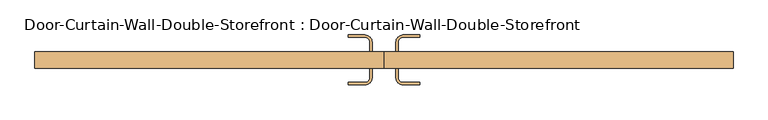
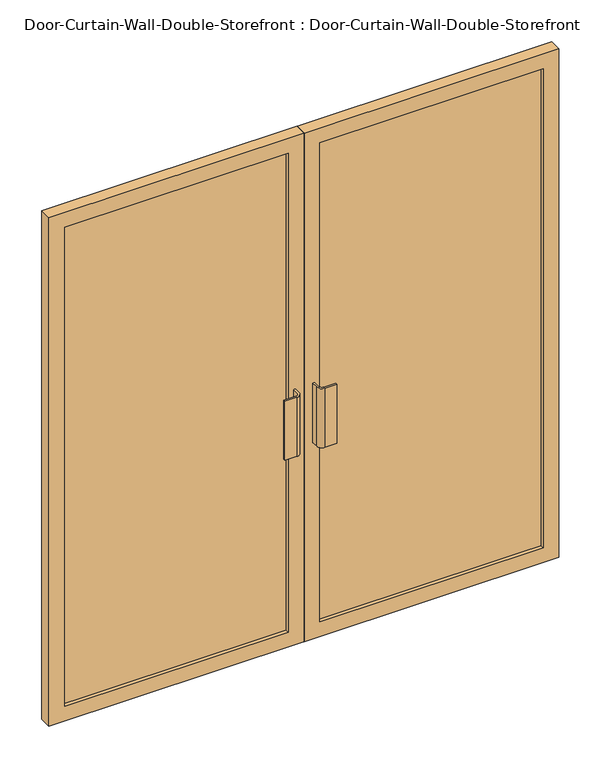
"""IFC4 building model written with IfcOpenShell, lengths in millimetres: door geometry, Door-Curtain-Wall-Double-Storefront : Door-Curtain-Wall-Double-Storefront."""

from ifc_helpers import new_model, si_unit, point, frame, frame_2d, origin, place, context, project, spatial, polyline, circle_curve, trimmed, segment, composite_curve, outline, extrude, source, transform, mapped, element, save


def door_curtain_wall_double_storefront_door_curtain_wall_double_eafe5e26(model_context):
    return source(origin(), model_context, "Body", "SweptSolid", [
        extrude(outline(polyline([(1968.5, 0.7668501), (0.0, 0.7668501), (0.0, 933.4499999), (1968.5, 933.4499999), (1968.5, 0.7668501)]), holes=[polyline([(1911.35, 57.9168501), (1911.35, 876.2999999), (57.15, 876.2999999), (57.15, 57.9168501), (1911.35, 57.9168501)])]), frame((0.0, 12.7, 0.0), z_axis=(0.0, 1.0, 0.0), x_axis=(0.0, 0.0, 1.0)), (0.0, 0.0, 1.0), 44.45),
        extrude(outline(polyline([(1968.5, -0.8206499), (1968.5, -933.4499999), (0.0, -933.4499999), (0.0, -0.8206499), (1968.5, -0.8206499)]), holes=[polyline([(1911.35, -876.2999999), (1911.35, -57.9706499), (57.15, -57.9706499), (57.15, -876.2999999), (1911.35, -876.2999999)])]), frame((0.0, 12.7, 0.0), z_axis=(0.0, 1.0, 0.0), x_axis=(0.0, 0.0, 1.0)), (0.0, 0.0, 1.0), 44.45),
        extrude(outline(polyline([(876.2999999, 25.4), (57.9168501, 25.4), (57.9168501, 44.45), (876.2999999, 44.45), (876.2999999, 25.4)])), frame((0.0, 0.0, 57.15), z_axis=(0.0, 0.0, 1.0), x_axis=(1.0, 0.0, 0.0)), (0.0, 0.0, 1.0), 1854.2),
        extrude(outline(polyline([(-57.9706499, 25.4), (-876.2999999, 25.4), (-876.2999999, 44.45), (-57.9706499, 44.45), (-57.9706499, 25.4)])), frame((0.0, 0.0, 57.15), z_axis=(0.0, 0.0, 1.0), x_axis=(1.0, 0.0, 0.0)), (0.0, 0.0, 1.0), 1854.2),
        extrude(outline(composite_curve([segment(trimmed(circle_curve(frame_2d((-50.8268999, -12.7)), 19.05), [point((-31.7768999, -12.7))], [point((-50.8268999, -31.75))], False, "CARTESIAN"), True, "CONTINUOUS"), segment(polyline([(-50.8268999, -31.75), (-95.2768999, -31.75), (-95.2768999, -25.4), (-50.8268999, -25.4)]), True, "CONTINUOUS"), segment(trimmed(circle_curve(frame_2d((-50.8268999, -12.7)), 12.7), [point((-50.8268999, -25.4))], [point((-38.1268999, -12.7))], True, "CARTESIAN"), True, "CONTINUOUS"), segment(polyline([(-38.1268999, -12.7), (-38.1268999, 12.7), (-31.7768999, 12.7), (-31.7768999, -12.7)]), True, "CONTINUOUS")], self_intersect=False)), frame((0.0, 0.0, 762.0), z_axis=(0.0, 0.0, 1.0), x_axis=(1.0, 0.0, 0.0)), (0.0, 0.0, 1.0), 228.6),
        extrude(outline(composite_curve([segment(polyline([(31.7231001, -12.7), (31.7231001, 12.7), (38.0731001, 12.7), (38.0731001, -12.7)]), True, "CONTINUOUS"), segment(trimmed(circle_curve(frame_2d((50.7731001, -12.7)), 12.7), [point((38.0731001, -12.7))], [point((50.7731001, -25.4))], True, "CARTESIAN"), True, "CONTINUOUS"), segment(polyline([(50.7731001, -25.4), (95.2231001, -25.4), (95.2231001, -31.75), (50.7731001, -31.75)]), True, "CONTINUOUS"), segment(trimmed(circle_curve(frame_2d((50.7731001, -12.7)), 19.05), [point((50.7731001, -31.75))], [point((31.7231001, -12.7))], False, "CARTESIAN"), True, "CONTINUOUS")], self_intersect=False)), frame((0.0, 0.0, 762.0), z_axis=(0.0, 0.0, 1.0), x_axis=(1.0, 0.0, 0.0)), (0.0, 0.0, 1.0), 228.6),
        extrude(outline(composite_curve([segment(polyline([(-31.7768999, 82.55), (-31.7768999, 57.15), (-38.1268999, 57.15), (-38.1268999, 82.55)]), True, "CONTINUOUS"), segment(trimmed(circle_curve(frame_2d((-50.8268999, 82.55)), 12.7), [point((-38.1268999, 82.55))], [point((-50.8268999, 95.25))], True, "CARTESIAN"), True, "CONTINUOUS"), segment(polyline([(-50.8268999, 95.25), (-95.2768999, 95.25), (-95.2768999, 101.6), (-50.8268999, 101.6)]), True, "CONTINUOUS"), segment(trimmed(circle_curve(frame_2d((-50.8268999, 82.55)), 19.05), [point((-50.8268999, 101.6))], [point((-31.7768999, 82.55))], False, "CARTESIAN"), True, "CONTINUOUS")], self_intersect=False)), frame((0.0, 0.0, 762.0), z_axis=(0.0, 0.0, 1.0), x_axis=(1.0, 0.0, 0.0)), (0.0, 0.0, 1.0), 228.6),
        extrude(outline(composite_curve([segment(trimmed(circle_curve(frame_2d((50.7731001, 82.55)), 19.05), [point((31.7231001, 82.55))], [point((50.7731001, 101.6))], False, "CARTESIAN"), True, "CONTINUOUS"), segment(polyline([(50.7731001, 101.6), (95.2231001, 101.6), (95.2231001, 95.25), (50.7731001, 95.25)]), True, "CONTINUOUS"), segment(trimmed(circle_curve(frame_2d((50.7731001, 82.55)), 12.7), [point((50.7731001, 95.25))], [point((38.0731001, 82.55))], True, "CARTESIAN"), True, "CONTINUOUS"), segment(polyline([(38.0731001, 82.55), (38.0731001, 57.15), (31.7231001, 57.15), (31.7231001, 82.55)]), True, "CONTINUOUS")], self_intersect=False)), frame((0.0, 0.0, 762.0), z_axis=(0.0, 0.0, 1.0), x_axis=(1.0, 0.0, 0.0)), (0.0, 0.0, 1.0), 228.6),
    ])


if __name__ == "__main__":
    model = new_model("IFC4")
    model_context = context("Model", 3, world=origin())
    ifc_project = project(units=[si_unit("LENGTHUNIT", "METRE", prefix="MILLI")], contexts=[model_context])
    site = spatial("IfcSite", under=ifc_project)
    building = spatial("IfcBuilding", under=site)
    placement = place(None, origin())
    door_curtain_wall_double_storefront_door_curtain_wall_double_shape = door_curtain_wall_double_storefront_door_curtain_wall_double_eafe5e26(model_context)
    element("IfcDoor", 1, ObjectType="Door-Curtain-Wall-Double-Storefront : Door-Curtain-Wall-Double-Storefront", at=placement, inside=building, context=model_context, shape_type="MappedRepresentation", body=[
        mapped(door_curtain_wall_double_storefront_door_curtain_wall_double_shape, transform((0.0, 0.0, 0.0), x_axis=(1.0, 0.0, 0.0), y_axis=(0.0, 1.0, 0.0), z_axis=(0.0, 0.0, 1.0))),
    ])
    save(model, "model.ifc")
